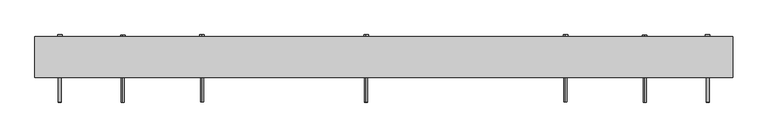
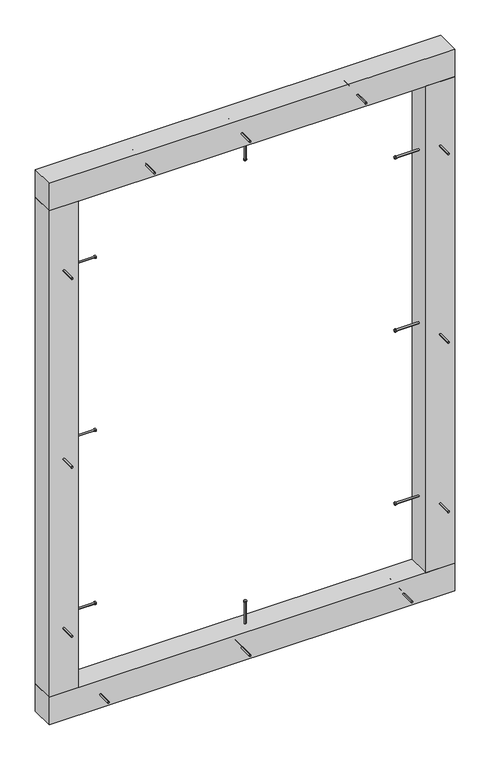
"""IFC4 building model written with IfcOpenShell, lengths in millimetres: proxy geometry."""

from ifc_helpers import new_model, si_unit, point, frame, frame_2d, origin, origin_with_axes, place, context, project, spatial, polyline, circle_curve, trimmed, segment, composite_curve, outline, extrude, source, transform, mapped, element, save


def generic_models_caf6b2e7(model_context):
    return source(origin(), model_context, "Body", "SweptSolid", [
        extrude(outline(composite_curve([segment(trimmed(circle_curve(frame_2d((125.0, -10.0)), 2.4700592), [point((125.0, -12.4700592))], [point((125.0, -7.5299408))], False, "CARTESIAN"), True, "CONTINUOUS"), segment(trimmed(circle_curve(frame_2d((125.0, -10.0)), 2.4700592), [point((125.0, -7.5299408))], [point((125.0, -12.4700592))], False, "CARTESIAN"), True, "CONTINUOUS")], self_intersect=False)), frame((0.0, 0.0, 25.0), z_axis=(0.0, 0.0, 1.0), x_axis=(1.0, 0.0, 0.0)), (0.0, 0.0, 1.0), 128.0),
        extrude(outline(composite_curve([segment(trimmed(circle_curve(frame_2d((125.0, -10.0)), 3.8), [point((125.0, -13.8))], [point((125.0, -6.2))], False, "CARTESIAN"), True, "CONTINUOUS"), segment(trimmed(circle_curve(frame_2d((125.0, -10.0)), 3.8), [point((125.0, -6.2))], [point((125.0, -13.8))], False, "CARTESIAN"), True, "CONTINUOUS")], self_intersect=False)), frame((0.0, 0.0, 153.0), z_axis=(0.0, 0.0, 1.0), x_axis=(1.0, 0.0, 0.0)), (0.0, 0.0, 1.0), 3.0),
        extrude(outline(composite_curve([segment(trimmed(circle_curve(frame_2d((42.5, 95.0)), 2.4700592), [point((44.9700592, 95.0))], [point((40.0299408, 95.0))], False, "CARTESIAN"), True, "CONTINUOUS"), segment(trimmed(circle_curve(frame_2d((42.5, 95.0)), 2.4700592), [point((40.0299408, 95.0))], [point((44.9700592, 95.0))], False, "CARTESIAN"), True, "CONTINUOUS")], self_intersect=False)), frame((0.0, -87.0, 0.0), z_axis=(0.0, 1.0, 0.0), x_axis=(0.0, 0.0, 1.0)), (0.0, 0.0, 1.0), 112.0),
        extrude(outline(composite_curve([segment(trimmed(circle_curve(frame_2d((42.5, 95.0)), 3.8), [point((46.3, 95.0))], [point((38.7, 95.0))], False, "CARTESIAN"), True, "CONTINUOUS"), segment(trimmed(circle_curve(frame_2d((42.5, 95.0)), 3.8), [point((38.7, 95.0))], [point((46.3, 95.0))], False, "CARTESIAN"), True, "CONTINUOUS")], self_intersect=False)), frame((0.0, 25.0, 0.0), z_axis=(0.0, 1.0, 0.0), x_axis=(0.0, 0.0, 1.0)), (0.0, 0.0, 1.0), 3.0),
        extrude(outline(composite_curve([segment(trimmed(circle_curve(frame_2d((42.5, -320.0)), 2.4700592), [point((44.9700592, -320.0))], [point((40.0299408, -320.0))], False, "CARTESIAN"), True, "CONTINUOUS"), segment(trimmed(circle_curve(frame_2d((42.5, -320.0)), 2.4700592), [point((40.0299408, -320.0))], [point((44.9700592, -320.0))], False, "CARTESIAN"), True, "CONTINUOUS")], self_intersect=False)), frame((0.0, -87.0, 0.0), z_axis=(0.0, 1.0, 0.0), x_axis=(0.0, 0.0, 1.0)), (0.0, 0.0, 1.0), 112.0),
        extrude(outline(composite_curve([segment(trimmed(circle_curve(frame_2d((42.5, -320.0)), 3.8), [point((46.3, -320.0))], [point((38.7, -320.0))], False, "CARTESIAN"), True, "CONTINUOUS"), segment(trimmed(circle_curve(frame_2d((42.5, -320.0)), 3.8), [point((38.7, -320.0))], [point((46.3, -320.0))], False, "CARTESIAN"), True, "CONTINUOUS")], self_intersect=False)), frame((0.0, 25.0, 0.0), z_axis=(0.0, 1.0, 0.0), x_axis=(0.0, 0.0, 1.0)), (0.0, 0.0, 1.0), 3.0),
        extrude(outline(composite_curve([segment(trimmed(circle_curve(frame_2d((42.5, 570.0)), 2.4700592), [point((44.9700592, 570.0))], [point((40.0299408, 570.0))], False, "CARTESIAN"), True, "CONTINUOUS"), segment(trimmed(circle_curve(frame_2d((42.5, 570.0)), 2.4700592), [point((40.0299408, 570.0))], [point((44.9700592, 570.0))], False, "CARTESIAN"), True, "CONTINUOUS")], self_intersect=False)), frame((0.0, -87.0, 0.0), z_axis=(0.0, 1.0, 0.0), x_axis=(0.0, 0.0, 1.0)), (0.0, 0.0, 1.0), 112.0),
        extrude(outline(composite_curve([segment(trimmed(circle_curve(frame_2d((42.5, 570.0)), 3.8), [point((46.3, 570.0))], [point((38.7, 570.0))], False, "CARTESIAN"), True, "CONTINUOUS"), segment(trimmed(circle_curve(frame_2d((42.5, 570.0)), 3.8), [point((38.7, 570.0))], [point((46.3, 570.0))], False, "CARTESIAN"), True, "CONTINUOUS")], self_intersect=False)), frame((0.0, 25.0, 0.0), z_axis=(0.0, 1.0, 0.0), x_axis=(0.0, 0.0, 1.0)), (0.0, 0.0, 1.0), 3.0),
        extrude(outline(polyline([(720.0, -45.0), (-470.0, -45.0), (-470.0, 25.0), (720.0, 25.0), (720.0, -45.0)])), origin_with_axes(), (0.0, 0.0, 1.0), 85.0),
        extrude(outline(composite_curve([segment(trimmed(circle_curve(frame_2d((-10.0, 303.0)), 2.4700592), [point((-12.4700592, 303.0))], [point((-7.5299408, 303.0))], False, "CARTESIAN"), True, "CONTINUOUS"), segment(trimmed(circle_curve(frame_2d((-10.0, 303.0)), 2.4700592), [point((-7.5299408, 303.0))], [point((-12.4700592, 303.0))], False, "CARTESIAN"), True, "CONTINUOUS")], self_intersect=False)), frame((-445.0, 0.0, 0.0), z_axis=(1.0, 0.0, 0.0), x_axis=(0.0, 1.0, 0.0)), (0.0, 0.0, 1.0), 128.0),
        extrude(outline(composite_curve([segment(trimmed(circle_curve(frame_2d((-10.0, 303.0)), 3.8), [point((-13.8, 303.0))], [point((-6.2, 303.0))], False, "CARTESIAN"), True, "CONTINUOUS"), segment(trimmed(circle_curve(frame_2d((-10.0, 303.0)), 3.8), [point((-6.2, 303.0))], [point((-13.8, 303.0))], False, "CARTESIAN"), True, "CONTINUOUS")], self_intersect=False)), frame((-317.0, 0.0, 0.0), z_axis=(1.0, 0.0, 0.0), x_axis=(0.0, 1.0, 0.0)), (0.0, 0.0, 1.0), 3.0),
        extrude(outline(composite_curve([segment(trimmed(circle_curve(frame_2d((-10.0, 1377.0)), 2.4700592), [point((-12.4700592, 1377.0))], [point((-7.5299408, 1377.0))], False, "CARTESIAN"), True, "CONTINUOUS"), segment(trimmed(circle_curve(frame_2d((-10.0, 1377.0)), 2.4700592), [point((-7.5299408, 1377.0))], [point((-12.4700592, 1377.0))], False, "CARTESIAN"), True, "CONTINUOUS")], self_intersect=False)), frame((-445.0, 0.0, 0.0), z_axis=(1.0, 0.0, 0.0), x_axis=(0.0, 1.0, 0.0)), (0.0, 0.0, 1.0), 128.0),
        extrude(outline(composite_curve([segment(trimmed(circle_curve(frame_2d((-10.0, 1377.0)), 3.8), [point((-13.8, 1377.0))], [point((-6.2, 1377.0))], False, "CARTESIAN"), True, "CONTINUOUS"), segment(trimmed(circle_curve(frame_2d((-10.0, 1377.0)), 3.8), [point((-6.2, 1377.0))], [point((-13.8, 1377.0))], False, "CARTESIAN"), True, "CONTINUOUS")], self_intersect=False)), frame((-317.0, 0.0, 0.0), z_axis=(1.0, 0.0, 0.0), x_axis=(0.0, 1.0, 0.0)), (0.0, 0.0, 1.0), 3.0),
        extrude(outline(composite_curve([segment(trimmed(circle_curve(frame_2d((810.0, -427.5)), 2.4700592), [point((810.0, -429.9700592))], [point((810.0, -425.0299408))], False, "CARTESIAN"), True, "CONTINUOUS"), segment(trimmed(circle_curve(frame_2d((810.0, -427.5)), 2.4700592), [point((810.0, -425.0299408))], [point((810.0, -429.9700592))], False, "CARTESIAN"), True, "CONTINUOUS")], self_intersect=False)), frame((0.0, -87.0, 0.0), z_axis=(0.0, 1.0, 0.0), x_axis=(0.0, 0.0, 1.0)), (0.0, 0.0, 1.0), 112.0),
        extrude(outline(composite_curve([segment(trimmed(circle_curve(frame_2d((810.0, -427.5)), 3.8), [point((810.0, -431.3))], [point((810.0, -423.7))], False, "CARTESIAN"), True, "CONTINUOUS"), segment(trimmed(circle_curve(frame_2d((810.0, -427.5)), 3.8), [point((810.0, -423.7))], [point((810.0, -431.3))], False, "CARTESIAN"), True, "CONTINUOUS")], self_intersect=False)), frame((0.0, 25.0, 0.0), z_axis=(0.0, 1.0, 0.0), x_axis=(0.0, 0.0, 1.0)), (0.0, 0.0, 1.0), 3.0),
        extrude(outline(composite_curve([segment(trimmed(circle_curve(frame_2d((-10.0, 840.0)), 2.4700592), [point((-12.4700592, 840.0))], [point((-7.5299408, 840.0))], False, "CARTESIAN"), True, "CONTINUOUS"), segment(trimmed(circle_curve(frame_2d((-10.0, 840.0)), 2.4700592), [point((-7.5299408, 840.0))], [point((-12.4700592, 840.0))], False, "CARTESIAN"), True, "CONTINUOUS")], self_intersect=False)), frame((-445.0, 0.0, 0.0), z_axis=(1.0, 0.0, 0.0), x_axis=(0.0, 1.0, 0.0)), (0.0, 0.0, 1.0), 128.0),
        extrude(outline(composite_curve([segment(trimmed(circle_curve(frame_2d((-10.0, 840.0)), 3.8), [point((-13.8, 840.0))], [point((-6.2, 840.0))], False, "CARTESIAN"), True, "CONTINUOUS"), segment(trimmed(circle_curve(frame_2d((-10.0, 840.0)), 3.8), [point((-6.2, 840.0))], [point((-13.8, 840.0))], False, "CARTESIAN"), True, "CONTINUOUS")], self_intersect=False)), frame((-317.0, 0.0, 0.0), z_axis=(1.0, 0.0, 0.0), x_axis=(0.0, 1.0, 0.0)), (0.0, 0.0, 1.0), 3.0),
        extrude(outline(composite_curve([segment(trimmed(circle_curve(frame_2d((1395.0, -427.5)), 2.4700592), [point((1395.0, -429.9700592))], [point((1395.0, -425.0299408))], False, "CARTESIAN"), True, "CONTINUOUS"), segment(trimmed(circle_curve(frame_2d((1395.0, -427.5)), 2.4700592), [point((1395.0, -425.0299408))], [point((1395.0, -429.9700592))], False, "CARTESIAN"), True, "CONTINUOUS")], self_intersect=False)), frame((0.0, -87.0, 0.0), z_axis=(0.0, 1.0, 0.0), x_axis=(0.0, 0.0, 1.0)), (0.0, 0.0, 1.0), 112.0),
        extrude(outline(composite_curve([segment(trimmed(circle_curve(frame_2d((1395.0, -427.5)), 3.8), [point((1395.0, -431.3))], [point((1395.0, -423.7))], False, "CARTESIAN"), True, "CONTINUOUS"), segment(trimmed(circle_curve(frame_2d((1395.0, -427.5)), 3.8), [point((1395.0, -423.7))], [point((1395.0, -431.3))], False, "CARTESIAN"), True, "CONTINUOUS")], self_intersect=False)), frame((0.0, 25.0, 0.0), z_axis=(0.0, 1.0, 0.0), x_axis=(0.0, 0.0, 1.0)), (0.0, 0.0, 1.0), 3.0),
        extrude(outline(composite_curve([segment(trimmed(circle_curve(frame_2d((285.0, -427.5)), 2.4700592), [point((285.0, -429.9700592))], [point((285.0, -425.0299408))], False, "CARTESIAN"), True, "CONTINUOUS"), segment(trimmed(circle_curve(frame_2d((285.0, -427.5)), 2.4700592), [point((285.0, -425.0299408))], [point((285.0, -429.9700592))], False, "CARTESIAN"), True, "CONTINUOUS")], self_intersect=False)), frame((0.0, -87.0, 0.0), z_axis=(0.0, 1.0, 0.0), x_axis=(0.0, 0.0, 1.0)), (0.0, 0.0, 1.0), 112.0),
        extrude(outline(composite_curve([segment(trimmed(circle_curve(frame_2d((285.0, -427.5)), 3.8), [point((285.0, -431.3))], [point((285.0, -423.7))], False, "CARTESIAN"), True, "CONTINUOUS"), segment(trimmed(circle_curve(frame_2d((285.0, -427.5)), 3.8), [point((285.0, -423.7))], [point((285.0, -431.3))], False, "CARTESIAN"), True, "CONTINUOUS")], self_intersect=False)), frame((0.0, 25.0, 0.0), z_axis=(0.0, 1.0, 0.0), x_axis=(0.0, 0.0, 1.0)), (0.0, 0.0, 1.0), 3.0),
        extrude(outline(polyline([(-470.0, -45.0), (-470.0, 25.0), (-385.0, 25.0), (-385.0, -45.0), (-470.0, -45.0)])), frame((0.0, 0.0, 85.0), z_axis=(0.0, 0.0, 1.0), x_axis=(1.0, 0.0, 0.0)), (0.0, 0.0, 1.0), 1510.0),
        extrude(outline(composite_curve([segment(trimmed(circle_curve(frame_2d((-10.0, 303.0)), 2.4700592), [point((-12.4700592, 303.0))], [point((-7.5299408, 303.0))], False, "CARTESIAN"), True, "CONTINUOUS"), segment(trimmed(circle_curve(frame_2d((-10.0, 303.0)), 2.4700592), [point((-7.5299408, 303.0))], [point((-12.4700592, 303.0))], False, "CARTESIAN"), True, "CONTINUOUS")], self_intersect=False)), frame((567.0, 0.0, 0.0), z_axis=(1.0, 0.0, 0.0), x_axis=(0.0, 1.0, 0.0)), (0.0, 0.0, 1.0), 128.0),
        extrude(outline(composite_curve([segment(trimmed(circle_curve(frame_2d((-10.0, 303.0)), 3.8), [point((-13.8, 303.0))], [point((-6.2, 303.0))], False, "CARTESIAN"), True, "CONTINUOUS"), segment(trimmed(circle_curve(frame_2d((-10.0, 303.0)), 3.8), [point((-6.2, 303.0))], [point((-13.8, 303.0))], False, "CARTESIAN"), True, "CONTINUOUS")], self_intersect=False)), frame((564.0, 0.0, 0.0), z_axis=(1.0, 0.0, 0.0), x_axis=(0.0, 1.0, 0.0)), (0.0, 0.0, 1.0), 3.0),
        extrude(outline(composite_curve([segment(trimmed(circle_curve(frame_2d((-10.0, 1377.0)), 2.4700592), [point((-12.4700592, 1377.0))], [point((-7.5299408, 1377.0))], False, "CARTESIAN"), True, "CONTINUOUS"), segment(trimmed(circle_curve(frame_2d((-10.0, 1377.0)), 2.4700592), [point((-7.5299408, 1377.0))], [point((-12.4700592, 1377.0))], False, "CARTESIAN"), True, "CONTINUOUS")], self_intersect=False)), frame((567.0, 0.0, 0.0), z_axis=(1.0, 0.0, 0.0), x_axis=(0.0, 1.0, 0.0)), (0.0, 0.0, 1.0), 128.0),
        extrude(outline(composite_curve([segment(trimmed(circle_curve(frame_2d((-10.0, 1377.0)), 3.8), [point((-13.8, 1377.0))], [point((-6.2, 1377.0))], False, "CARTESIAN"), True, "CONTINUOUS"), segment(trimmed(circle_curve(frame_2d((-10.0, 1377.0)), 3.8), [point((-6.2, 1377.0))], [point((-13.8, 1377.0))], False, "CARTESIAN"), True, "CONTINUOUS")], self_intersect=False)), frame((564.0, 0.0, 0.0), z_axis=(1.0, 0.0, 0.0), x_axis=(0.0, 1.0, 0.0)), (0.0, 0.0, 1.0), 3.0),
        extrude(outline(composite_curve([segment(trimmed(circle_curve(frame_2d((810.0, 677.5)), 2.4700592), [point((810.0, 679.9700592))], [point((810.0, 675.0299408))], False, "CARTESIAN"), True, "CONTINUOUS"), segment(trimmed(circle_curve(frame_2d((810.0, 677.5)), 2.4700592), [point((810.0, 675.0299408))], [point((810.0, 679.9700592))], False, "CARTESIAN"), True, "CONTINUOUS")], self_intersect=False)), frame((0.0, -87.0, 0.0), z_axis=(0.0, 1.0, 0.0), x_axis=(0.0, 0.0, 1.0)), (0.0, 0.0, 1.0), 112.0),
        extrude(outline(composite_curve([segment(trimmed(circle_curve(frame_2d((810.0, 677.5)), 3.8), [point((810.0, 681.3))], [point((810.0, 673.7))], False, "CARTESIAN"), True, "CONTINUOUS"), segment(trimmed(circle_curve(frame_2d((810.0, 677.5)), 3.8), [point((810.0, 673.7))], [point((810.0, 681.3))], False, "CARTESIAN"), True, "CONTINUOUS")], self_intersect=False)), frame((0.0, 25.0, 0.0), z_axis=(0.0, 1.0, 0.0), x_axis=(0.0, 0.0, 1.0)), (0.0, 0.0, 1.0), 3.0),
        extrude(outline(composite_curve([segment(trimmed(circle_curve(frame_2d((-10.0, 840.0)), 2.4700592), [point((-12.4700592, 840.0))], [point((-7.5299408, 840.0))], False, "CARTESIAN"), True, "CONTINUOUS"), segment(trimmed(circle_curve(frame_2d((-10.0, 840.0)), 2.4700592), [point((-7.5299408, 840.0))], [point((-12.4700592, 840.0))], False, "CARTESIAN"), True, "CONTINUOUS")], self_intersect=False)), frame((567.0, 0.0, 0.0), z_axis=(1.0, 0.0, 0.0), x_axis=(0.0, 1.0, 0.0)), (0.0, 0.0, 1.0), 128.0),
        extrude(outline(composite_curve([segment(trimmed(circle_curve(frame_2d((-10.0, 840.0)), 3.8), [point((-13.8, 840.0))], [point((-6.2, 840.0))], False, "CARTESIAN"), True, "CONTINUOUS"), segment(trimmed(circle_curve(frame_2d((-10.0, 840.0)), 3.8), [point((-6.2, 840.0))], [point((-13.8, 840.0))], False, "CARTESIAN"), True, "CONTINUOUS")], self_intersect=False)), frame((564.0, 0.0, 0.0), z_axis=(1.0, 0.0, 0.0), x_axis=(0.0, 1.0, 0.0)), (0.0, 0.0, 1.0), 3.0),
        extrude(outline(composite_curve([segment(trimmed(circle_curve(frame_2d((1395.0, 677.5)), 2.4700592), [point((1395.0, 679.9700592))], [point((1395.0, 675.0299408))], False, "CARTESIAN"), True, "CONTINUOUS"), segment(trimmed(circle_curve(frame_2d((1395.0, 677.5)), 2.4700592), [point((1395.0, 675.0299408))], [point((1395.0, 679.9700592))], False, "CARTESIAN"), True, "CONTINUOUS")], self_intersect=False)), frame((0.0, -87.0, 0.0), z_axis=(0.0, 1.0, 0.0), x_axis=(0.0, 0.0, 1.0)), (0.0, 0.0, 1.0), 112.0),
        extrude(outline(composite_curve([segment(trimmed(circle_curve(frame_2d((1395.0, 677.5)), 3.8), [point((1395.0, 681.3))], [point((1395.0, 673.7))], False, "CARTESIAN"), True, "CONTINUOUS"), segment(trimmed(circle_curve(frame_2d((1395.0, 677.5)), 3.8), [point((1395.0, 673.7))], [point((1395.0, 681.3))], False, "CARTESIAN"), True, "CONTINUOUS")], self_intersect=False)), frame((0.0, 25.0, 0.0), z_axis=(0.0, 1.0, 0.0), x_axis=(0.0, 0.0, 1.0)), (0.0, 0.0, 1.0), 3.0),
        extrude(outline(composite_curve([segment(trimmed(circle_curve(frame_2d((285.0, 677.5)), 2.4700592), [point((285.0, 679.9700592))], [point((285.0, 675.0299408))], False, "CARTESIAN"), True, "CONTINUOUS"), segment(trimmed(circle_curve(frame_2d((285.0, 677.5)), 2.4700592), [point((285.0, 675.0299408))], [point((285.0, 679.9700592))], False, "CARTESIAN"), True, "CONTINUOUS")], self_intersect=False)), frame((0.0, -87.0, 0.0), z_axis=(0.0, 1.0, 0.0), x_axis=(0.0, 0.0, 1.0)), (0.0, 0.0, 1.0), 112.0),
        extrude(outline(composite_curve([segment(trimmed(circle_curve(frame_2d((285.0, 677.5)), 3.8), [point((285.0, 681.3))], [point((285.0, 673.7))], False, "CARTESIAN"), True, "CONTINUOUS"), segment(trimmed(circle_curve(frame_2d((285.0, 677.5)), 3.8), [point((285.0, 673.7))], [point((285.0, 681.3))], False, "CARTESIAN"), True, "CONTINUOUS")], self_intersect=False)), frame((0.0, 25.0, 0.0), z_axis=(0.0, 1.0, 0.0), x_axis=(0.0, 0.0, 1.0)), (0.0, 0.0, 1.0), 3.0),
        extrude(outline(polyline([(720.0, -45.0), (635.0, -45.0), (635.0, 25.0), (720.0, 25.0), (720.0, -45.0)])), frame((0.0, 0.0, 85.0), z_axis=(0.0, 0.0, 1.0), x_axis=(1.0, 0.0, 0.0)), (0.0, 0.0, 1.0), 1510.0),
        extrude(outline(composite_curve([segment(trimmed(circle_curve(frame_2d((1637.5, 95.0)), 2.4700592), [point((1639.9700592, 95.0))], [point((1635.0299408, 95.0))], False, "CARTESIAN"), True, "CONTINUOUS"), segment(trimmed(circle_curve(frame_2d((1637.5, 95.0)), 2.4700592), [point((1635.0299408, 95.0))], [point((1639.9700592, 95.0))], False, "CARTESIAN"), True, "CONTINUOUS")], self_intersect=False)), frame((0.0, -87.0, 0.0), z_axis=(0.0, 1.0, 0.0), x_axis=(0.0, 0.0, 1.0)), (0.0, 0.0, 1.0), 112.0),
        extrude(outline(composite_curve([segment(trimmed(circle_curve(frame_2d((1637.5, 95.0)), 3.8), [point((1641.3, 95.0))], [point((1633.7, 95.0))], False, "CARTESIAN"), True, "CONTINUOUS"), segment(trimmed(circle_curve(frame_2d((1637.5, 95.0)), 3.8), [point((1633.7, 95.0))], [point((1641.3, 95.0))], False, "CARTESIAN"), True, "CONTINUOUS")], self_intersect=False)), frame((0.0, 25.0, 0.0), z_axis=(0.0, 1.0, 0.0), x_axis=(0.0, 0.0, 1.0)), (0.0, 0.0, 1.0), 3.0),
        extrude(outline(composite_curve([segment(trimmed(circle_curve(frame_2d((125.0, -10.0)), 2.4700592), [point((125.0, -12.4700592))], [point((125.0, -7.5299408))], False, "CARTESIAN"), True, "CONTINUOUS"), segment(trimmed(circle_curve(frame_2d((125.0, -10.0)), 2.4700592), [point((125.0, -7.5299408))], [point((125.0, -12.4700592))], False, "CARTESIAN"), True, "CONTINUOUS")], self_intersect=False)), frame((0.0, 0.0, 1527.0), z_axis=(0.0, 0.0, 1.0), x_axis=(1.0, 0.0, 0.0)), (0.0, 0.0, 1.0), 128.0),
        extrude(outline(composite_curve([segment(trimmed(circle_curve(frame_2d((125.0, -10.0)), 3.8), [point((125.0, -13.8))], [point((125.0, -6.2))], False, "CARTESIAN"), True, "CONTINUOUS"), segment(trimmed(circle_curve(frame_2d((125.0, -10.0)), 3.8), [point((125.0, -6.2))], [point((125.0, -13.8))], False, "CARTESIAN"), True, "CONTINUOUS")], self_intersect=False)), frame((0.0, 0.0, 1524.0), z_axis=(0.0, 0.0, 1.0), x_axis=(1.0, 0.0, 0.0)), (0.0, 0.0, 1.0), 3.0),
        extrude(outline(composite_curve([segment(trimmed(circle_curve(frame_2d((1637.5, -185.0)), 2.4700592), [point((1639.9700592, -185.0))], [point((1635.0299408, -185.0))], False, "CARTESIAN"), True, "CONTINUOUS"), segment(trimmed(circle_curve(frame_2d((1637.5, -185.0)), 2.4700592), [point((1635.0299408, -185.0))], [point((1639.9700592, -185.0))], False, "CARTESIAN"), True, "CONTINUOUS")], self_intersect=False)), frame((0.0, -87.0, 0.0), z_axis=(0.0, 1.0, 0.0), x_axis=(0.0, 0.0, 1.0)), (0.0, 0.0, 1.0), 112.0),
        extrude(outline(composite_curve([segment(trimmed(circle_curve(frame_2d((1637.5, -185.0)), 3.8), [point((1641.3, -185.0))], [point((1633.7, -185.0))], False, "CARTESIAN"), True, "CONTINUOUS"), segment(trimmed(circle_curve(frame_2d((1637.5, -185.0)), 3.8), [point((1633.7, -185.0))], [point((1641.3, -185.0))], False, "CARTESIAN"), True, "CONTINUOUS")], self_intersect=False)), frame((0.0, 25.0, 0.0), z_axis=(0.0, 1.0, 0.0), x_axis=(0.0, 0.0, 1.0)), (0.0, 0.0, 1.0), 3.0),
        extrude(outline(composite_curve([segment(trimmed(circle_curve(frame_2d((1637.5, 435.0)), 2.4700592), [point((1639.9700592, 435.0))], [point((1635.0299408, 435.0))], False, "CARTESIAN"), True, "CONTINUOUS"), segment(trimmed(circle_curve(frame_2d((1637.5, 435.0)), 2.4700592), [point((1635.0299408, 435.0))], [point((1639.9700592, 435.0))], False, "CARTESIAN"), True, "CONTINUOUS")], self_intersect=False)), frame((0.0, -87.0, 0.0), z_axis=(0.0, 1.0, 0.0), x_axis=(0.0, 0.0, 1.0)), (0.0, 0.0, 1.0), 112.0),
        extrude(outline(composite_curve([segment(trimmed(circle_curve(frame_2d((1637.5, 435.0)), 3.8), [point((1641.3, 435.0))], [point((1633.7, 435.0))], False, "CARTESIAN"), True, "CONTINUOUS"), segment(trimmed(circle_curve(frame_2d((1637.5, 435.0)), 3.8), [point((1633.7, 435.0))], [point((1641.3, 435.0))], False, "CARTESIAN"), True, "CONTINUOUS")], self_intersect=False)), frame((0.0, 25.0, 0.0), z_axis=(0.0, 1.0, 0.0), x_axis=(0.0, 0.0, 1.0)), (0.0, 0.0, 1.0), 3.0),
        extrude(outline(polyline([(720.0, -45.0), (-470.0, -45.0), (-470.0, 25.0), (720.0, 25.0), (720.0, -45.0)])), frame((0.0, 0.0, 1595.0), z_axis=(0.0, 0.0, 1.0), x_axis=(1.0, 0.0, 0.0)), (0.0, 0.0, 1.0), 85.0),
    ])


if __name__ == "__main__":
    model = new_model("IFC4")
    model_context = context("Model", 3, world=origin())
    ifc_project = project(units=[si_unit("LENGTHUNIT", "METRE", prefix="MILLI")], contexts=[model_context])
    site = spatial("IfcSite", under=ifc_project)
    building = spatial("IfcBuilding", under=site)
    placement = place(None, origin())
    generic_models_shape = generic_models_caf6b2e7(model_context)
    element("IfcBuildingElementProxy", 1, Name="Generic Models", at=placement, inside=building, context=model_context, shape_type="MappedRepresentation", body=[
        mapped(generic_models_shape, transform((0.0, 0.0, 0.0), x_axis=(1.0, 0.0, 0.0), y_axis=(0.0, 1.0, 0.0), z_axis=(0.0, 0.0, 1.0))),
    ])
    save(model, "model.ifc")
